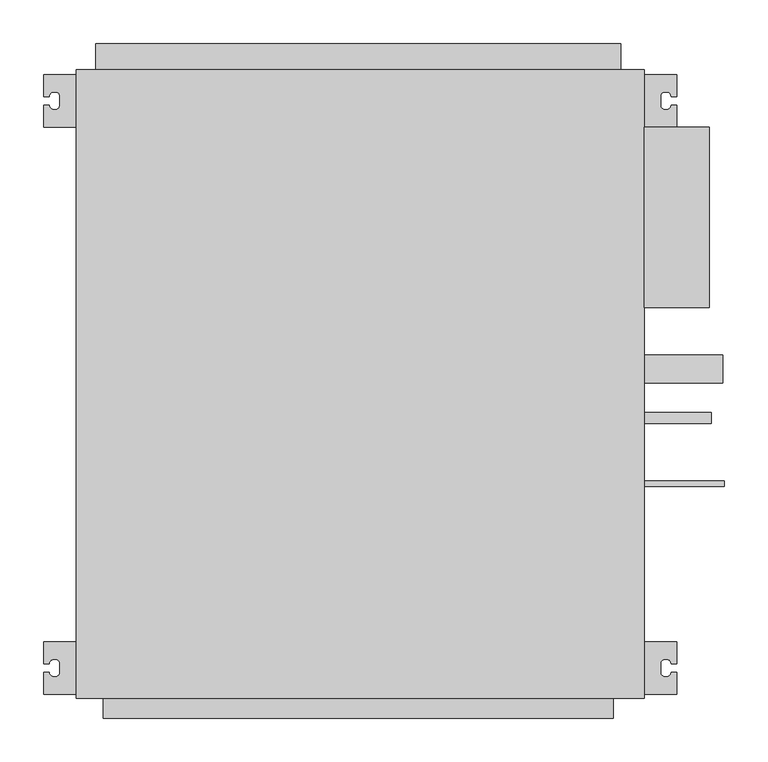
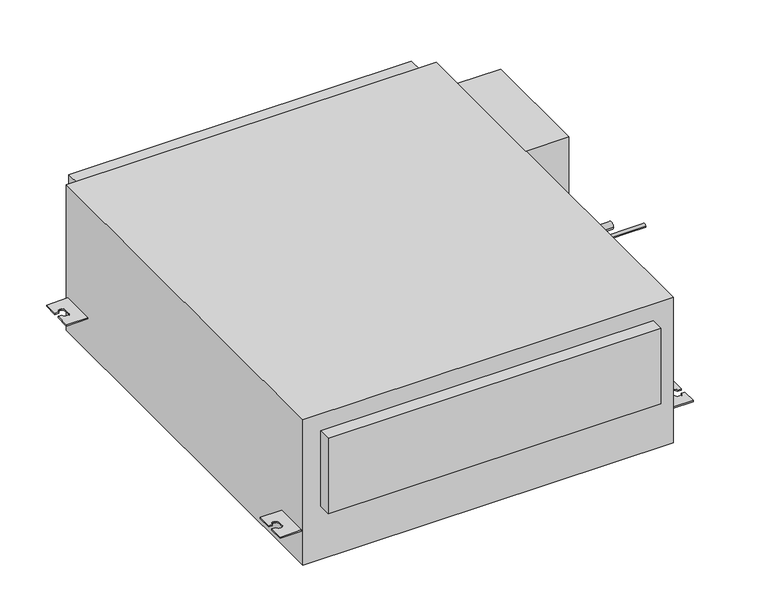
"""IFC4 building model written with IfcOpenShell, lengths in millimetres: proxy geometry."""

from ifc_helpers import new_model, si_unit, point, frame, frame_2d, origin, origin_with_axes, place, context, project, spatial, polyline, circle_curve, trimmed, segment, composite_curve, outline, extrude, source, transform, mapped, element, save


def mechanical_equipment_e6b5b9c3(model_context):
    return source(origin(), model_context, "Body", "SweptSolid", [
        extrude(outline(polyline([(325.0, -65.5), (400.0, -65.5), (400.0, -272.3), (325.0, -272.3), (325.0, -65.5)])), origin_with_axes(), (0.0, 0.0, 1.0), 270.0),
        extrude(outline(composite_curve([segment(trimmed(circle_curve(frame_2d((-343.0, 22.0)), 16.0), [point((-359.0, 22.0))], [point((-327.0, 22.0))], False, "CARTESIAN"), True, "CONTINUOUS"), segment(trimmed(circle_curve(frame_2d((-343.0, 22.0)), 16.0), [point((-327.0, 22.0))], [point((-359.0, 22.0))], False, "CARTESIAN"), True, "CONTINUOUS")], self_intersect=False)), frame((325.0, 0.0, 0.0), z_axis=(1.0, 0.0, 0.0), x_axis=(0.0, 1.0, 0.0)), (0.0, 0.0, 1.0), 90.0),
        extrude(outline(composite_curve([segment(trimmed(circle_curve(frame_2d((-399.0, 182.0)), 6.35), [point((-405.35, 182.0))], [point((-392.65, 182.0))], False, "CARTESIAN"), True, "CONTINUOUS"), segment(trimmed(circle_curve(frame_2d((-399.0, 182.0)), 6.35), [point((-392.65, 182.0))], [point((-405.35, 182.0))], False, "CARTESIAN"), True, "CONTINUOUS")], self_intersect=False)), frame((325.0, 0.0, 0.0), z_axis=(1.0, 0.0, 0.0), x_axis=(0.0, 1.0, 0.0)), (0.0, 0.0, 1.0), 77.0),
        extrude(outline(composite_curve([segment(trimmed(circle_curve(frame_2d((-474.0, 222.0)), 3.175), [point((-477.175, 222.0))], [point((-470.825, 222.0))], False, "CARTESIAN"), True, "CONTINUOUS"), segment(trimmed(circle_curve(frame_2d((-474.0, 222.0)), 3.175), [point((-470.825, 222.0))], [point((-477.175, 222.0))], False, "CARTESIAN"), True, "CONTINUOUS")], self_intersect=False)), frame((325.0, 0.0, 0.0), z_axis=(1.0, 0.0, 0.0), x_axis=(0.0, 1.0, 0.0)), (0.0, 0.0, 1.0), 92.0),
        extrude(outline(composite_curve([segment(polyline([(-325.0, -5.5), (-325.0, -65.5), (-362.5, -65.5), (-362.5, -40.5), (-356.0, -40.5)]), True, "CONTINUOUS"), segment(trimmed(circle_curve(frame_2d((-351.0, -40.5)), 5.0), [point((-356.0, -40.5))], [point((-351.0, -45.5))], True, "CARTESIAN"), True, "CONTINUOUS"), segment(polyline([(-351.0, -45.5), (-349.0, -45.5)]), True, "CONTINUOUS"), segment(trimmed(circle_curve(frame_2d((-349.0, -40.5)), 5.0), [point((-349.0, -45.5))], [point((-344.0, -40.5))], True, "CARTESIAN"), True, "CONTINUOUS"), segment(polyline([(-344.0, -40.5), (-344.0, -30.5)]), True, "CONTINUOUS"), segment(trimmed(circle_curve(frame_2d((-349.0, -30.5)), 5.0), [point((-344.0, -30.5))], [point((-349.0, -25.5))], True, "CARTESIAN"), True, "CONTINUOUS"), segment(polyline([(-349.0, -25.5), (-351.0, -25.5)]), True, "CONTINUOUS"), segment(trimmed(circle_curve(frame_2d((-351.0, -30.5)), 5.0), [point((-351.0, -25.5))], [point((-356.0, -30.5))], True, "CARTESIAN"), True, "CONTINUOUS"), segment(polyline([(-356.0, -30.5), (-362.5, -30.5), (-362.5, -5.5), (-325.0, -5.5)]), True, "CONTINUOUS")], self_intersect=False)), frame((0.0, 0.0, 60.5), z_axis=(0.0, 0.0, 1.0), x_axis=(1.0, 0.0, 0.0)), (0.0, 0.0, 1.0), 2.5),
        extrude(outline(composite_curve([segment(polyline([(-325.0, -655.5), (-325.0, -715.5), (-362.5, -715.5), (-362.5, -690.5), (-356.0, -690.5)]), True, "CONTINUOUS"), segment(trimmed(circle_curve(frame_2d((-351.0, -690.5)), 5.0), [point((-356.0, -690.5))], [point((-351.0, -695.5))], True, "CARTESIAN"), True, "CONTINUOUS"), segment(polyline([(-351.0, -695.5), (-349.0, -695.5)]), True, "CONTINUOUS"), segment(trimmed(circle_curve(frame_2d((-349.0, -690.5)), 5.0), [point((-349.0, -695.5))], [point((-344.0, -690.5))], True, "CARTESIAN"), True, "CONTINUOUS"), segment(polyline([(-344.0, -690.5), (-344.0, -680.5)]), True, "CONTINUOUS"), segment(trimmed(circle_curve(frame_2d((-349.0, -680.5)), 5.0), [point((-344.0, -680.5))], [point((-349.0, -675.5))], True, "CARTESIAN"), True, "CONTINUOUS"), segment(polyline([(-349.0, -675.5), (-351.0, -675.5)]), True, "CONTINUOUS"), segment(trimmed(circle_curve(frame_2d((-351.0, -680.5)), 5.0), [point((-351.0, -675.5))], [point((-356.0, -680.5))], True, "CARTESIAN"), True, "CONTINUOUS"), segment(polyline([(-356.0, -680.5), (-362.5, -680.5), (-362.5, -655.5), (-325.0, -655.5)]), True, "CONTINUOUS")], self_intersect=False)), frame((0.0, 0.0, 60.5), z_axis=(0.0, 0.0, 1.0), x_axis=(1.0, 0.0, 0.0)), (0.0, 0.0, 1.0), 2.5),
        extrude(outline(composite_curve([segment(polyline([(325.0, -5.5), (362.5, -5.5), (362.5, -30.5), (356.0, -30.5)]), True, "CONTINUOUS"), segment(trimmed(circle_curve(frame_2d((351.0, -30.5)), 5.0), [point((356.0, -30.5))], [point((351.0, -25.5))], True, "CARTESIAN"), True, "CONTINUOUS"), segment(polyline([(351.0, -25.5), (349.0, -25.5)]), True, "CONTINUOUS"), segment(trimmed(circle_curve(frame_2d((349.0, -30.5)), 5.0), [point((349.0, -25.5))], [point((344.0, -30.5))], True, "CARTESIAN"), True, "CONTINUOUS"), segment(polyline([(344.0, -30.5), (344.0, -40.5)]), True, "CONTINUOUS"), segment(trimmed(circle_curve(frame_2d((349.0, -40.5)), 5.0), [point((344.0, -40.5))], [point((349.0, -45.5))], True, "CARTESIAN"), True, "CONTINUOUS"), segment(polyline([(349.0, -45.5), (351.0, -45.5)]), True, "CONTINUOUS"), segment(trimmed(circle_curve(frame_2d((351.0, -40.5)), 5.0), [point((351.0, -45.5))], [point((356.0, -40.5))], True, "CARTESIAN"), True, "CONTINUOUS"), segment(polyline([(356.0, -40.5), (362.5, -40.5), (362.5, -65.5), (325.0, -65.5), (325.0, -5.5)]), True, "CONTINUOUS")], self_intersect=False)), frame((0.0, 0.0, 60.5), z_axis=(0.0, 0.0, 1.0), x_axis=(1.0, 0.0, 0.0)), (0.0, 0.0, 1.0), 2.5),
        extrude(outline(composite_curve([segment(polyline([(325.0, -655.5), (362.5, -655.5), (362.5, -680.5), (356.0, -680.5)]), True, "CONTINUOUS"), segment(trimmed(circle_curve(frame_2d((351.0, -680.5)), 5.0), [point((356.0, -680.5))], [point((351.0, -675.5))], True, "CARTESIAN"), True, "CONTINUOUS"), segment(polyline([(351.0, -675.5), (349.0, -675.5)]), True, "CONTINUOUS"), segment(trimmed(circle_curve(frame_2d((349.0, -680.5)), 5.0), [point((349.0, -675.5))], [point((344.0, -680.5))], True, "CARTESIAN"), True, "CONTINUOUS"), segment(polyline([(344.0, -680.5), (344.0, -690.5)]), True, "CONTINUOUS"), segment(trimmed(circle_curve(frame_2d((349.0, -690.5)), 5.0), [point((344.0, -690.5))], [point((349.0, -695.5))], True, "CARTESIAN"), True, "CONTINUOUS"), segment(polyline([(349.0, -695.5), (351.0, -695.5)]), True, "CONTINUOUS"), segment(trimmed(circle_curve(frame_2d((351.0, -690.5)), 5.0), [point((351.0, -695.5))], [point((356.0, -690.5))], True, "CARTESIAN"), True, "CONTINUOUS"), segment(polyline([(356.0, -690.5), (362.5, -690.5), (362.5, -715.5), (325.0, -715.5), (325.0, -655.5)]), True, "CONTINUOUS")], self_intersect=False)), frame((0.0, 0.0, 60.5), z_axis=(0.0, 0.0, 1.0), x_axis=(1.0, 0.0, 0.0)), (0.0, 0.0, 1.0), 2.5),
        extrude(outline(polyline([(298.2, 30.0), (298.2, 0.0), (-302.8, 0.0), (-302.8, 30.0), (298.2, 30.0)])), frame((0.0, 0.0, 22.8), z_axis=(0.0, 0.0, 1.0), x_axis=(1.0, 0.0, 0.0)), (0.0, 0.0, 1.0), 240.0),
        extrude(outline(polyline([(290.0, -720.0), (290.0, -743.0), (-294.0, -743.0), (-294.0, -720.0), (290.0, -720.0)])), frame((0.0, 0.0, 99.0), z_axis=(0.0, 0.0, 1.0), x_axis=(1.0, 0.0, 0.0)), (0.0, 0.0, 1.0), 140.0),
        extrude(outline(polyline([(325.0, -720.0), (-325.0, -720.0), (-325.0, 0.0), (325.0, 0.0), (325.0, -720.0)])), origin_with_axes(), (0.0, 0.0, 1.0), 270.0),
    ])


if __name__ == "__main__":
    model = new_model("IFC4")
    model_context = context("Model", 3, world=origin())
    ifc_project = project(units=[si_unit("LENGTHUNIT", "METRE", prefix="MILLI")], contexts=[model_context])
    site = spatial("IfcSite", under=ifc_project)
    building = spatial("IfcBuilding", under=site)
    placement = place(None, origin())
    mechanical_equipment_shape = mechanical_equipment_e6b5b9c3(model_context)
    element("IfcBuildingElementProxy", 1, Name="Mechanical Equipment", at=placement, inside=building, context=model_context, shape_type="MappedRepresentation", body=[
        mapped(mechanical_equipment_shape, transform((0.0, 0.0, 0.0), x_axis=(1.0, 0.0, 0.0), y_axis=(0.0, 1.0, 0.0), z_axis=(0.0, 0.0, 1.0))),
    ])
    save(model, "model.ifc")
